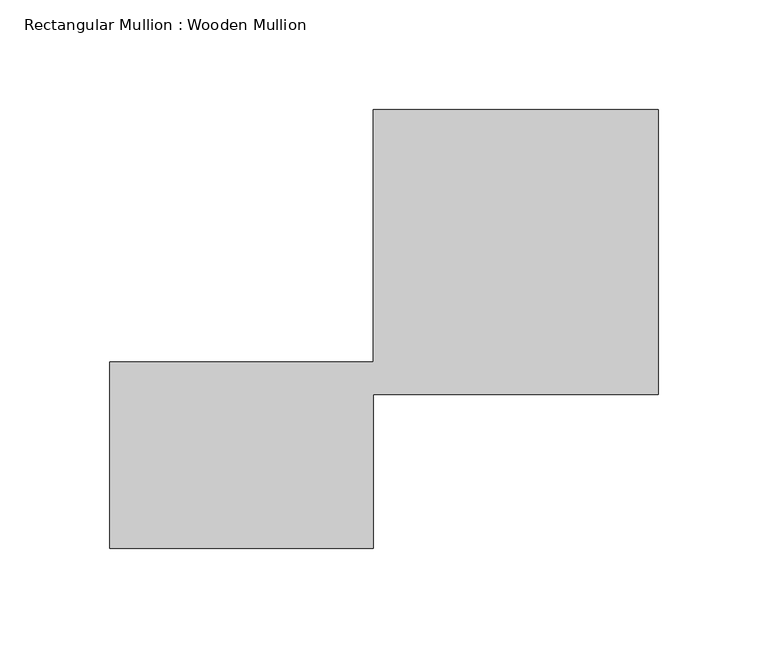
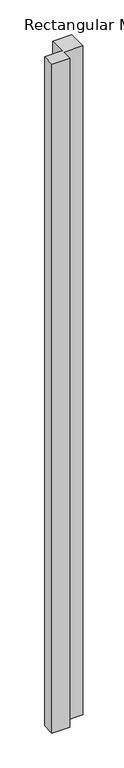
"""IFC4 building model written with IfcOpenShell, lengths in millimetres: member geometry, Rectangular Mullion : Wooden Mullion."""

from ifc_helpers import new_model, si_unit, frame, origin, place, context, project, spatial, polyline, outline, extrude, source, transform, mapped, element, save


def rectangular_mullion_wooden_mullion_a90701a0(model_context):
    return source(origin(), model_context, "Body", "SweptSolid", [
        extrude(outline(polyline([(74.8100006, -26.0137344), (-45.1899994, -26.0137344), (-45.1899994, 58.9862656), (74.8100006, 58.9862656), (74.8100006, 173.9862656), (204.8100006, 173.9862656), (204.8100006, 43.9862656), (74.8100006, 43.9862656), (74.8100006, -26.0137344)])), frame((0.0, 0.0, -4800.927968), z_axis=(0.0, 0.0, 1.0), x_axis=(1.0, 0.0, 0.0)), (0.0, 0.0, 1.0), 4800.927968),
    ])


if __name__ == "__main__":
    model = new_model("IFC4")
    model_context = context("Model", 3, world=origin())
    ifc_project = project(units=[si_unit("LENGTHUNIT", "METRE", prefix="MILLI")], contexts=[model_context])
    site = spatial("IfcSite", under=ifc_project)
    building = spatial("IfcBuilding", under=site)
    placement = place(None, origin())
    rectangular_mullion_wooden_mullion_shape = rectangular_mullion_wooden_mullion_a90701a0(model_context)
    element("IfcMember", 1, ObjectType="Rectangular Mullion : Wooden Mullion", at=placement, inside=building, context=model_context, shape_type="MappedRepresentation", body=[
        mapped(rectangular_mullion_wooden_mullion_shape, transform((0.0, 0.0, 0.0), x_axis=(1.0, 0.0, 0.0), y_axis=(0.0, 1.0, 0.0), z_axis=(0.0, 0.0, 1.0))),
    ])
    save(model, "model.ifc")
